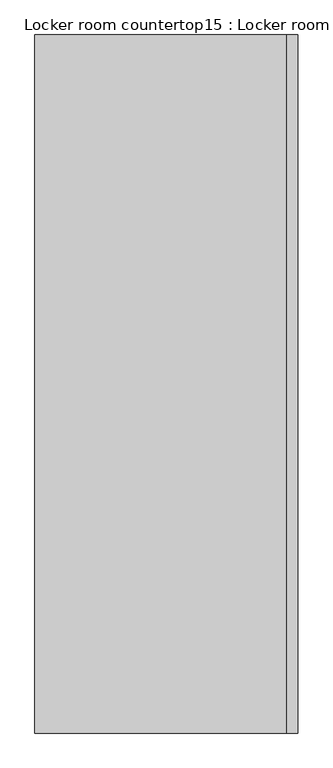
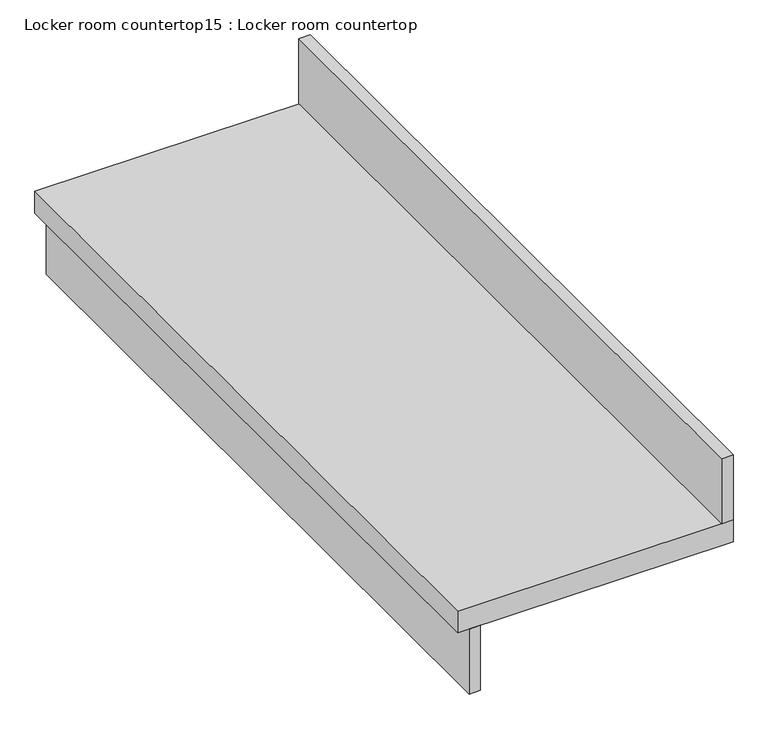
"""IFC4 building model written with IfcOpenShell, lengths in millimetres: furniture geometry, Locker room countertop15 : Locker room countertop."""

from ifc_helpers import new_model, si_unit, frame, origin, place, context, project, spatial, polyline, outline, extrude, source, transform, mapped, element, save


def locker_room_countertop15_locker_room_countertop_9df48569(model_context):
    return source(origin(), model_context, "Body", "SweptSolid", [
        extrude(outline(polyline([(473984.4254676, -328772.0921815), (473984.4254676, -327152.8080223), (474009.8254676, -327152.8080223), (474009.8254676, -328772.0921815), (473984.4254676, -328772.0921815)])), frame((0.0, 0.0, 660.4), z_axis=(0.0, 0.0, 1.0), x_axis=(1.0, 0.0, 0.0)), (0.0, 0.0, 1.0), 152.4),
        extrude(outline(polyline([(474543.2254676, -327152.8080223), (474568.6254676, -327152.8080223), (474568.6254676, -328772.0921815), (474543.2254676, -328772.0921815), (474543.2254676, -327152.8080223)])), frame((0.0, 0.0, 863.6), z_axis=(0.0, 0.0, 1.0), x_axis=(1.0, 0.0, 0.0)), (0.0, 0.0, 1.0), 152.4),
        extrude(outline(polyline([(473959.0254676, -327152.8080223), (474568.6254676, -327152.8080223), (474568.6254676, -328772.0921815), (473959.0254676, -328772.0921815), (473959.0254676, -327152.8080223)])), frame((0.0, 0.0, 812.8), z_axis=(0.0, 0.0, 1.0), x_axis=(1.0, 0.0, 0.0)), (0.0, 0.0, 1.0), 50.8),
    ])


if __name__ == "__main__":
    model = new_model("IFC4")
    model_context = context("Model", 3, world=origin())
    ifc_project = project(units=[si_unit("LENGTHUNIT", "METRE", prefix="MILLI")], contexts=[model_context])
    site = spatial("IfcSite", under=ifc_project)
    building = spatial("IfcBuilding", under=site)
    placement = place(None, origin())
    locker_room_countertop15_locker_room_countertop_shape = locker_room_countertop15_locker_room_countertop_9df48569(model_context)
    element("IfcFurniture", 1, ObjectType="Locker room countertop15 : Locker room countertop", at=placement, inside=building, context=model_context, shape_type="MappedRepresentation", body=[
        mapped(locker_room_countertop15_locker_room_countertop_shape, transform((0.0, 0.0, 0.0), x_axis=(1.0, 0.0, 0.0), y_axis=(0.0, 1.0, 0.0), z_axis=(0.0, 0.0, 1.0))),
    ])
    save(model, "model.ifc")
